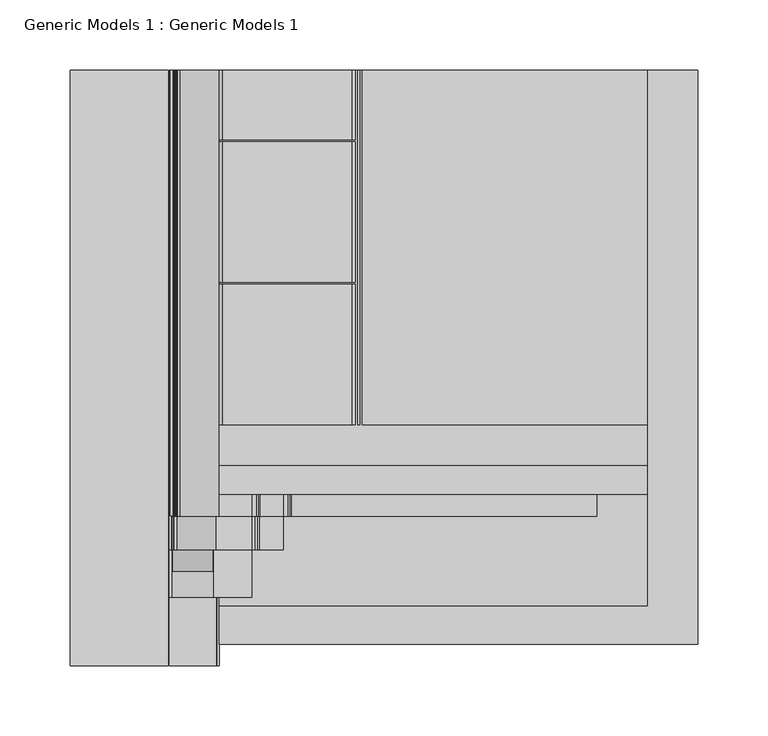
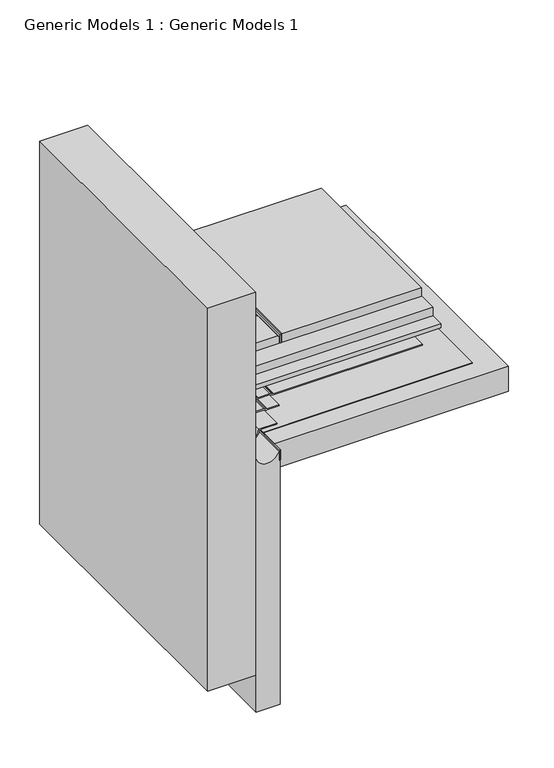
"""IFC4 building model written with IfcOpenShell, lengths in millimetres: proxy geometry, Generic Models 1 : Generic Models 1."""

import ifcopenshell
import ifcopenshell.guid

model = None  # the IFC model being written
_history = None  # IfcOwnerHistory: only IFC2X3 demands one
_inside = {}  # id of a spatial element -> (the spatial element, [elements in it])
_under = {}  # id of a project, library or spatial element -> (it, [spatial elements below it])
_declared = {}  # id of a project -> (the project, [libraries it declares])
_typed = {}  # id of a type object -> (the type object, [elements of that type])
_made_of = {}  # id of a material, layer set ... -> (it, [elements and type objects made of it])


def new_model(schema):
    """Start an empty IFC model of exactly this schema.

    Asked for "IFC4X3", IfcOpenShell would pick the latest addendum, in which some entities
    have other attributes; the version numbers below select the first issue.
    IFC2X3 requires an IfcOwnerHistory on every rooted entity: one is made here for all.
    """
    global model, _history
    if schema == "IFC4X3":
        model = ifcopenshell.file(schema_version=(4, 3, 0, 0))
    else:
        model = ifcopenshell.file(schema=schema)
    _inside.clear()
    _under.clear()
    _declared.clear()
    _typed.clear()
    _made_of.clear()
    _history = None
    if model.schema == "IFC2X3":
        org = make("IfcOrganization", Name="unknown")
        user = make(
            "IfcPersonAndOrganization",
            ThePerson=make("IfcPerson", FamilyName="unknown"),
            TheOrganization=org,
        )
        app = make(
            "IfcApplication",
            ApplicationDeveloper=org,
            Version="unknown",
            ApplicationFullName="unknown",
            ApplicationIdentifier="unknown",
        )
        _history = make(
            "IfcOwnerHistory",
            OwningUser=user,
            OwningApplication=app,
            ChangeAction="ADDED",
            CreationDate=0,
        )
    return model


def make(cls, **values):
    """One entity of the class cls with the attributes given. An attribute that is None is left unset."""
    return model.create_entity(
        cls, **{name: value for name, value in values.items() if value is not None}
    )


def rooted(cls, **values):
    """An entity with a GlobalId (a new one), such as an element, a storey or a relation."""
    return make(cls, GlobalId=ifcopenshell.guid.new(), OwnerHistory=_history, **values)


def si_unit(unit_type, name, prefix=None):
    """IfcSIUnit, for example si_unit("LENGTHUNIT", "METRE", prefix="MILLI")."""
    return make("IfcSIUnit", UnitType=unit_type, Prefix=prefix, Name=name)


def assignment(units):
    """IfcUnitAssignment: the units of a project."""
    return None if units is None else make("IfcUnitAssignment", Units=units)


def point(xyz):
    """IfcCartesianPoint."""
    return None if xyz is None else make("IfcCartesianPoint", Coordinates=xyz)


def direction(xyz):
    """IfcDirection."""
    return None if xyz is None else make("IfcDirection", DirectionRatios=xyz)


def frame(location, z_axis=None, x_axis=None):
    """IfcAxis2Placement3D, a coordinate frame: its origin and axes. An axis left out is left unset."""
    return make(
        "IfcAxis2Placement3D",
        Location=point(location),
        Axis=direction(z_axis),
        RefDirection=direction(x_axis),
    )


def frame_2d(location, x_axis=None):
    """IfcAxis2Placement2D, a coordinate frame in the plane: its origin and x axis."""
    return make(
        "IfcAxis2Placement2D", Location=point(location), RefDirection=direction(x_axis)
    )


def origin():
    """The frame at (0, 0, 0) with its axes left unset."""
    return frame((0.0, 0.0, 0.0))


def place(relative_to, where):
    """IfcLocalPlacement: puts the frame where relative to a parent placement (None: the world)."""
    return make(
        "IfcLocalPlacement", PlacementRelTo=relative_to, RelativePlacement=where
    )


def context(
    kind, dimensions, precision=None, world=None, true_north=None, identifier=None
):
    """IfcGeometricRepresentationContext, for example the 3D "Model" context."""
    return make(
        "IfcGeometricRepresentationContext",
        ContextIdentifier=identifier,
        ContextType=kind,
        CoordinateSpaceDimension=dimensions,
        Precision=precision,
        WorldCoordinateSystem=world,
        TrueNorth=true_north,
    )


def project(units=None, contexts=None):
    """IfcProject with its units and contexts."""
    return rooted(
        "IfcProject",
        Name="project",
        RepresentationContexts=contexts,
        UnitsInContext=assignment(units),
    )


def spatial(cls, under=None, at=None, **own):
    """A site, building, storey or space (cls), placed at a placement, below another one or the project."""
    s = rooted(cls, ObjectPlacement=at, **own)
    if under is not None:
        _under.setdefault(under.id(), (under, []))[1].append(s)
    return s


def polyline(points):
    """IfcPolyline through the points."""
    return make("IfcPolyline", Points=[point(p) for p in points])


def circle_curve(where, radius):
    """IfcCircle in the frame where."""
    return make("IfcCircle", Position=where, Radius=radius)


def trimmed(basis, trim1, trim2, sense, master):
    """IfcTrimmedCurve: the piece of a basis curve between two trims."""
    return make(
        "IfcTrimmedCurve",
        BasisCurve=basis,
        Trim1=trim1,
        Trim2=trim2,
        SenseAgreement=sense,
        MasterRepresentation=master,
    )


def segment(curve, same_sense, transition):
    """IfcCompositeCurveSegment."""
    return make(
        "IfcCompositeCurveSegment",
        Transition=transition,
        SameSense=same_sense,
        ParentCurve=curve,
    )


def composite_curve(segments, self_intersect=None):
    """IfcCompositeCurve: segments joined end to end."""
    return make("IfcCompositeCurve", Segments=segments, SelfIntersect=self_intersect)


def outline(outer, holes=None, kind="AREA"):
    """IfcArbitraryClosedProfileDef: a profile drawn as a closed curve; with holes, ...WithVoids."""
    if holes is None:
        return make("IfcArbitraryClosedProfileDef", ProfileType=kind, OuterCurve=outer)
    return make(
        "IfcArbitraryProfileDefWithVoids",
        ProfileType=kind,
        OuterCurve=outer,
        InnerCurves=holes,
    )


def extrude(swept, where, along, depth):
    """IfcExtrudedAreaSolid: the profile swept, set in the frame where, extruded along a direction by depth."""
    return make(
        "IfcExtrudedAreaSolid",
        SweptArea=swept,
        Position=where,
        ExtrudedDirection=direction(along),
        Depth=depth,
    )


def shape(context_of_items, identifier, shape_type, items):
    """IfcShapeRepresentation: the items that make up one representation, for example the "Body"."""
    return make(
        "IfcShapeRepresentation",
        ContextOfItems=context_of_items,
        RepresentationIdentifier=identifier,
        RepresentationType=shape_type,
        Items=items,
    )


def source(mapping_origin, context_of_items, identifier, shape_type, items):
    """IfcRepresentationMap: a shape defined once, which mapped items show again and again."""
    return make(
        "IfcRepresentationMap",
        MappingOrigin=mapping_origin,
        MappedRepresentation=shape(context_of_items, identifier, shape_type, items),
    )


def transform(
    local_origin,
    x_axis=None,
    y_axis=None,
    z_axis=None,
    scale=None,
    scale2=None,
    scale3=None,
    uniform=True,
):
    """IfcCartesianTransformationOperator3D, or its non-uniform kind. x_axis, y_axis, z_axis: its Axis1, 2, 3."""
    if uniform:
        return make(
            "IfcCartesianTransformationOperator3D",
            Axis1=direction(x_axis),
            Axis2=direction(y_axis),
            LocalOrigin=point(local_origin),
            Scale=scale,
            Axis3=direction(z_axis),
        )
    return make(
        "IfcCartesianTransformationOperator3DnonUniform",
        Axis1=direction(x_axis),
        Axis2=direction(y_axis),
        LocalOrigin=point(local_origin),
        Scale=scale,
        Axis3=direction(z_axis),
        Scale2=scale2,
        Scale3=scale3,
    )


def mapped(mapping_source, mapping_target):
    """IfcMappedItem: shows the shape of a source again, moved by a transform."""
    return make(
        "IfcMappedItem", MappingSource=mapping_source, MappingTarget=mapping_target
    )


def made_of(thing, what):
    """Note that an element or type object is made of a material, layer set ...; save() writes the relation."""
    if what is not None:
        _made_of.setdefault(what.id(), (what, []))[1].append(thing)
    return thing


def element(
    cls,
    number,
    at=None,
    inside=None,
    cuts=None,
    type_object=None,
    material=None,
    context=None,
    identifier="Body",
    shape_type=None,
    held_by="IfcProductDefinitionShape",
    body=None,
    shapes=None,
    **own,
):
    """One element of the class cls, such as IfcWall. Its Tag is "e" and its number.

    at: its placement. inside: the storey or other place that contains it. cuts: it is an
    opening in that element (IfcRelVoidsElement). A single representation is given by context,
    identifier, shape_type and body (its items); several are given by shapes. held_by: the class
    of the entity that holds the representations. save() writes the other relations.
    """
    e = rooted(cls, Tag="e%d" % number, ObjectPlacement=at, **own)
    if body is not None:
        shapes = [shape(context, identifier, shape_type, body)]
    if shapes is not None:
        e.Representation = make(held_by, Representations=shapes)
    if inside is not None:
        _inside.setdefault(inside.id(), (inside, []))[1].append(e)
    if cuts is not None:
        rooted(
            "IfcRelVoidsElement", RelatingBuildingElement=cuts, RelatedOpeningElement=e
        )
    if type_object is not None:
        _typed.setdefault(type_object.id(), (type_object, []))[1].append(e)
    return made_of(e, material)


def aggregate(whole, parts):
    """IfcRelAggregates: a whole, such as a stair, and the parts it consists of."""
    return rooted("IfcRelAggregates", RelatingObject=whole, RelatedObjects=parts)


def save(model, path):
    """Write the relations noted so far, then the file.

    IfcRelAggregates (storeys below a building ...), IfcRelContainedInSpatialStructure (elements
    in a storey), IfcRelDefinesByType, IfcRelAssociatesMaterial and IfcRelDeclares: one each for
    every whole, place, type object, material and project.
    """
    for whole, parts in _under.values():
        aggregate(whole, parts)
    for where, things in _inside.values():
        rooted(
            "IfcRelContainedInSpatialStructure",
            RelatedElements=things,
            RelatingStructure=where,
        )
    for kind, things in _typed.values():
        rooted("IfcRelDefinesByType", RelatedObjects=things, RelatingType=kind)
    for what, things in _made_of.values():
        rooted("IfcRelAssociatesMaterial", RelatedObjects=things, RelatingMaterial=what)
    for by, libraries in _declared.values():
        rooted("IfcRelDeclares", RelatingContext=by, RelatedDefinitions=libraries)
    model.write(path)


def generic_models_1_generic_models_1_d151fb99(model_context):
    return source(origin(), model_context, "Body", "SweptSolid", [
        extrude(outline(polyline([(392.5198839, 80.9625), (392.5198839, 177.8), (402.8386339, 177.8), (405.2198839, 175.41875), (405.2198839, 83.34375), (402.8386339, 80.9625), (392.5198839, 80.9625)])), frame((0.0, 344.2461939, 0.0), z_axis=(0.0, 1.0, 0.0), x_axis=(0.0, 0.0, 1.0)), (0.0, 0.0, 1.0), 49.6007451),
        extrude(outline(polyline([(392.5198839, 80.9625), (392.5198839, 177.8), (402.8386339, 177.8), (405.2198839, 175.41875), (405.2198839, 83.34375), (402.8386339, 80.9625), (392.5198839, 80.9625)])), frame((0.0, 242.6461939, 0.0), z_axis=(0.0, 1.0, 0.0), x_axis=(0.0, 0.0, 1.0)), (0.0, 0.0, 1.0), 100.2538061),
        extrude(outline(polyline([(179.3517572, 393.8469389), (180.9392572, 393.8469389), (180.9392572, 141.0461939), (179.3517572, 141.0461939), (179.3517572, 393.8469389)])), frame((0.0, 0.0, 392.5198839), z_axis=(0.0, 0.0, 1.0), x_axis=(1.0, 0.0, 0.0)), (0.0, 0.0, 1.0), 12.7),
        extrude(outline(polyline([(392.5198839, 80.9625), (392.5198839, 177.8), (402.8386339, 177.8), (405.2198839, 175.41875), (405.2198839, 83.34375), (402.8386339, 80.9625), (392.5198839, 80.9625)])), frame((0.0, 141.0461939, 0.0), z_axis=(0.0, 1.0, 0.0), x_axis=(0.0, 0.0, 1.0)), (0.0, 0.0, 1.0), 100.2538061),
        extrude(outline(polyline([(182.5625, 393.8469389), (385.7625, 393.8469389), (385.7625, 141.0461939), (182.5625, 141.0461939), (182.5625, 393.8469389)])), frame((0.0, 0.0, 392.5198839), z_axis=(0.0, 0.0, 1.0), x_axis=(1.0, 0.0, 0.0)), (0.0, 0.0, 1.0), 12.7),
        extrude(outline(polyline([(80.9625, 393.8469389), (385.7625, 393.8469389), (385.7625, 112.3547134), (80.9625, 112.3547134), (80.9625, 393.8469389)])), frame((0.0, 0.0, 379.8198839), z_axis=(0.0, 0.0, 1.0), x_axis=(1.0, 0.0, 0.0)), (0.0, 0.0, 1.0), 12.7),
        extrude(outline(polyline([(80.9625, 393.8469389), (385.7625, 393.8469389), (385.7625, 91.8342455), (80.9625, 91.8342455), (80.9625, 393.8469389)])), frame((0.0, 0.0, 373.4698839), z_axis=(0.0, 0.0, 1.0), x_axis=(1.0, 0.0, 0.0)), (0.0, 0.0, 1.0), 6.35),
        extrude(outline(polyline([(80.9625, 393.8469389), (421.8535083, 393.8469389), (421.8535083, -15.1880793), (80.9625, -15.1880793), (80.9625, 393.8469389)])), frame((0.0, 0.0, 328.1998414), z_axis=(0.0, 0.0, 1.0), x_axis=(1.0, 0.0, 0.0)), (0.0, 0.0, 1.0), 38.1),
        extrude(outline(composite_curve([segment(polyline([(371.8823839, 79.2100655), (371.8823839, 104.0711194)]), True, "CONTINUOUS"), segment(trimmed(circle_curve(frame_2d((366.3261339, 104.0711194)), 5.55625), [point((371.8823839, 104.0711194))], [point((371.3618066, 106.4192922))], True, "CARTESIAN"), True, "CONTINUOUS"), segment(polyline([(371.3618066, 106.4192922), (370.7148005, 107.8068011)]), True, "CONTINUOUS"), segment(trimmed(circle_curve(frame_2d((375.0310914, 109.8195206)), 4.7625), [point((370.7148005, 107.8068011))], [point((370.2685914, 109.8195206))], False, "CARTESIAN"), True, "CONTINUOUS"), segment(polyline([(370.2685914, 109.8195206), (370.2685914, 126.4920393)]), True, "CONTINUOUS"), segment(trimmed(circle_curve(frame_2d((364.7123414, 126.4920393)), 5.55625), [point((370.2685914, 126.4920393))], [point((369.748014, 128.840212))], True, "CARTESIAN"), True, "CONTINUOUS"), segment(polyline([(369.748014, 128.840212), (369.101008, 130.227721)]), True, "CONTINUOUS"), segment(trimmed(circle_curve(frame_2d((373.4172988, 132.2404405)), 4.7625), [point((369.101008, 130.227721))], [point((368.6547988, 132.2404405))], False, "CARTESIAN"), True, "CONTINUOUS"), segment(polyline([(368.6547988, 132.2404405), (368.6547988, 349.9692558), (370.2422988, 349.9692558), (370.2422988, 132.2404405)]), True, "CONTINUOUS"), segment(trimmed(circle_curve(frame_2d((373.4172988, 132.2404405)), 3.175), [point((370.2422988, 132.2404405))], [point((370.5397716, 130.8986275))], True, "CARTESIAN"), True, "CONTINUOUS"), segment(polyline([(370.5397716, 130.8986275), (371.1867776, 129.5111185)]), True, "CONTINUOUS"), segment(trimmed(circle_curve(frame_2d((364.7123414, 126.4920393)), 7.14375), [point((371.1867776, 129.5111185))], [point((371.8560914, 126.4920393))], False, "CARTESIAN"), True, "CONTINUOUS"), segment(polyline([(371.8560914, 126.4920393), (371.8560914, 109.8195206)]), True, "CONTINUOUS"), segment(trimmed(circle_curve(frame_2d((375.0310914, 109.8195206)), 3.175), [point((371.8560914, 109.8195206))], [point((372.1535641, 108.4777076))], True, "CARTESIAN"), True, "CONTINUOUS"), segment(polyline([(372.1535641, 108.4777076), (372.8005702, 107.0901987)]), True, "CONTINUOUS"), segment(trimmed(circle_curve(frame_2d((366.3261339, 104.0711194)), 7.14375), [point((372.8005702, 107.0901987))], [point((373.4698839, 104.0711194))], False, "CARTESIAN"), True, "CONTINUOUS"), segment(polyline([(373.4698839, 104.0711194), (373.4698839, 80.5416976)]), True, "CONTINUOUS"), segment(trimmed(circle_curve(frame_2d((369.4879876, 61.9125)), 19.05), [point((373.4698839, 80.5416976))], [point((386.3876302, 53.1201976))], False, "CARTESIAN"), True, "CONTINUOUS"), segment(trimmed(circle_curve(frame_2d((387.7959337, 52.3875057)), 1.5875), [point((386.3876302, 53.1201976))], [point((387.7959337, 50.8000057))], True, "CARTESIAN"), True, "CONTINUOUS"), segment(polyline([(387.7959337, 50.8000057), (396.7434379, 50.8000057)]), True, "CONTINUOUS"), segment(trimmed(circle_curve(frame_2d((396.7434379, 43.6562557)), 7.14375), [point((396.7434379, 50.8000057))], [point((399.7625171, 50.130692))], False, "CARTESIAN"), True, "CONTINUOUS"), segment(polyline([(399.7625171, 50.130692), (401.150026, 49.4836859)]), True, "CONTINUOUS"), segment(trimmed(circle_curve(frame_2d((402.491839, 52.3612132)), 3.175), [point((401.150026, 49.4836859))], [point((402.491839, 49.1862132))], True, "CARTESIAN"), True, "CONTINUOUS"), segment(polyline([(402.491839, 49.1862132), (419.1643577, 49.1862132)]), True, "CONTINUOUS"), segment(trimmed(circle_curve(frame_2d((419.1643577, 42.0424632)), 7.14375), [point((419.1643577, 49.1862132))], [point((422.183437, 48.5168994))], False, "CARTESIAN"), True, "CONTINUOUS"), segment(polyline([(422.183437, 48.5168994), (423.5709459, 47.8698934)]), True, "CONTINUOUS"), segment(trimmed(circle_curve(frame_2d((424.9127589, 50.7474206)), 3.175), [point((423.5709459, 47.8698934))], [point((424.9127589, 47.5724206))], True, "CARTESIAN"), True, "CONTINUOUS"), segment(polyline([(424.9127589, 47.5724206), (583.3108186, 47.5724206), (583.3108186, 45.9849206), (424.9127589, 45.9849206)]), True, "CONTINUOUS"), segment(trimmed(circle_curve(frame_2d((424.9127589, 50.7474206)), 4.7625), [point((424.9127589, 45.9849206))], [point((422.9000394, 46.4311298))], False, "CARTESIAN"), True, "CONTINUOUS"), segment(polyline([(422.9000394, 46.4311298), (421.5125305, 47.0781358)]), True, "CONTINUOUS"), segment(trimmed(circle_curve(frame_2d((419.1643577, 42.0424632)), 5.55625), [point((421.5125305, 47.0781358))], [point((419.1643577, 47.5987132))], True, "CARTESIAN"), True, "CONTINUOUS"), segment(polyline([(419.1643577, 47.5987132), (402.491839, 47.5987132)]), True, "CONTINUOUS"), segment(trimmed(circle_curve(frame_2d((402.491839, 52.3612132)), 4.7625), [point((402.491839, 47.5987132))], [point((400.4791195, 48.0449223))], False, "CARTESIAN"), True, "CONTINUOUS"), segment(polyline([(400.4791195, 48.0449223), (399.0916106, 48.6919284)]), True, "CONTINUOUS"), segment(trimmed(circle_curve(frame_2d((396.7434379, 43.6562557)), 5.55625), [point((399.0916106, 48.6919284))], [point((396.7434379, 49.2125057))], True, "CARTESIAN"), True, "CONTINUOUS"), segment(polyline([(396.7434379, 49.2125057), (387.7959337, 49.2125057)]), True, "CONTINUOUS"), segment(trimmed(circle_curve(frame_2d((387.7959337, 52.3875057)), 3.175), [point((387.7959337, 49.2125057))], [point((384.9793267, 53.8528895))], False, "CARTESIAN"), True, "CONTINUOUS"), segment(trimmed(circle_curve(frame_2d((369.4879876, 61.9125)), 17.4625), [point((384.9793267, 53.8528895))], [point((371.8823839, 79.2100655))], True, "CARTESIAN"), True, "CONTINUOUS")], self_intersect=False)), frame((0.0, 76.1832897, 0.0), z_axis=(0.0, 1.0, 0.0), x_axis=(0.0, 0.0, 1.0)), (0.0, 0.0, 1.0), 317.6636492),
        extrude(outline(composite_curve([segment(polyline([(371.0886339, 104.0711194), (371.0886339, 78.5042196)]), True, "CONTINUOUS"), segment(trimmed(circle_curve(frame_2d((369.4879876, 61.9125)), 16.66875), [point((371.0886339, 78.5042196))], [point((382.1240612, 51.0415813))], False, "CARTESIAN"), True, "CONTINUOUS"), segment(trimmed(circle_curve(frame_2d((383.3274967, 50.0062557)), 1.5875), [point((382.1240612, 51.0415813))], [point((383.3274967, 48.4187557))], True, "CARTESIAN"), True, "CONTINUOUS"), segment(polyline([(383.3274967, 48.4187557), (396.5785091, 48.4187557)]), True, "CONTINUOUS"), segment(trimmed(circle_curve(frame_2d((396.5785091, 43.6562557)), 4.7625), [point((396.5785091, 48.4187557))], [point((398.5912286, 47.9725466))], False, "CARTESIAN"), True, "CONTINUOUS"), segment(polyline([(398.5912286, 47.9725466), (400.4571868, 47.1024359)]), True, "CONTINUOUS"), segment(trimmed(circle_curve(frame_2d((401.7989998, 49.9799632)), 3.175), [point((400.4571868, 47.1024359))], [point((401.7989998, 46.8049632))], True, "CARTESIAN"), True, "CONTINUOUS"), segment(polyline([(401.7989998, 46.8049632), (418.999429, 46.8049632), (418.999429, 45.2174632), (401.7989998, 45.2174632)]), True, "CONTINUOUS"), segment(trimmed(circle_curve(frame_2d((401.7989998, 49.9799632)), 4.7625), [point((401.7989998, 45.2174632))], [point((399.7862803, 45.6636723))], False, "CARTESIAN"), True, "CONTINUOUS"), segment(polyline([(399.7862803, 45.6636723), (397.9203221, 46.533783)]), True, "CONTINUOUS"), segment(trimmed(circle_curve(frame_2d((396.5785091, 43.6562557)), 3.175), [point((397.9203221, 46.533783))], [point((396.5785091, 46.8312557))], True, "CARTESIAN"), True, "CONTINUOUS"), segment(polyline([(396.5785091, 46.8312557), (383.3274967, 46.8312557)]), True, "CONTINUOUS"), segment(trimmed(circle_curve(frame_2d((383.3274967, 50.0062557)), 3.175), [point((383.3274967, 46.8312557))], [point((380.9206256, 52.0769069))], False, "CARTESIAN"), True, "CONTINUOUS"), segment(trimmed(circle_curve(frame_2d((369.4879876, 61.9125)), 15.08125), [point((380.9206256, 52.0769069))], [point((369.5011339, 76.9937443))], True, "CARTESIAN"), True, "CONTINUOUS"), segment(polyline([(369.5011339, 76.9937443), (369.5011339, 104.0711194)]), True, "CONTINUOUS"), segment(trimmed(circle_curve(frame_2d((366.3261339, 104.0711194)), 3.175), [point((369.5011339, 104.0711194))], [point((369.2036612, 105.4129324))], True, "CARTESIAN"), True, "CONTINUOUS"), segment(polyline([(369.2036612, 105.4129324), (368.3335505, 107.2788907)]), True, "CONTINUOUS"), segment(trimmed(circle_curve(frame_2d((372.6498414, 109.2916102)), 4.7625), [point((368.3335505, 107.2788907))], [point((367.8873414, 109.2916102))], False, "CARTESIAN"), True, "CONTINUOUS"), segment(polyline([(367.8873414, 109.2916102), (367.8873414, 126.4920393), (369.4748414, 126.4920393), (369.4748414, 109.2916102)]), True, "CONTINUOUS"), segment(trimmed(circle_curve(frame_2d((372.6498414, 109.2916102)), 3.175), [point((369.4748414, 109.2916102))], [point((369.7723141, 107.9497972))], True, "CARTESIAN"), True, "CONTINUOUS"), segment(polyline([(369.7723141, 107.9497972), (370.6424248, 106.0838389)]), True, "CONTINUOUS"), segment(trimmed(circle_curve(frame_2d((366.3261339, 104.0711194)), 4.7625), [point((370.6424248, 106.0838389))], [point((371.0886339, 104.0711194))], False, "CARTESIAN"), True, "CONTINUOUS")], self_intersect=False)), frame((0.0, 52.0273992, 0.0), z_axis=(0.0, 1.0, 0.0), x_axis=(0.0, 0.0, 1.0)), (0.0, 0.0, 1.0), 341.8195397),
        extrude(outline(composite_curve([segment(trimmed(circle_curve(frame_2d((369.4879876, 61.9125)), 14.2875), [point((369.4879876, 47.625))], [point((369.4879876, 76.2))], False, "CARTESIAN"), True, "CONTINUOUS"), segment(trimmed(circle_curve(frame_2d((369.4879876, 61.9125)), 14.2875), [point((369.4879876, 76.2))], [point((369.4879876, 47.625))], False, "CARTESIAN"), True, "CONTINUOUS")], self_intersect=False)), frame((0.0, 36.7666054, 0.0), z_axis=(0.0, 1.0, 0.0), x_axis=(0.0, 0.0, 1.0)), (0.0, 0.0, 1.0), 357.0803336),
        extrude(outline(polyline([(79.375, 393.8469389), (80.9625, 393.8469389), (80.9625, -30.4208852), (79.375, -30.4208852), (79.375, 393.8469389)])), frame((0.0, 0.0, 351.2118848), z_axis=(0.0, 0.0, 1.0), x_axis=(1.0, 0.0, 0.0)), (0.0, 0.0, 1.0), 15.0879565),
        extrude(outline(polyline([(80.9625, 393.8469389), (385.7625, 393.8469389), (385.7625, 12.1737536), (80.9625, 12.1737536), (80.9625, 393.8469389)])), frame((0.0, 0.0, 367.0935914), z_axis=(0.0, 0.0, 1.0), x_axis=(1.0, 0.0, 0.0)), (0.0, 0.0, 1.0), 0.79375),
        extrude(outline(composite_curve([segment(polyline([(364.2830208, 45.24375), (-25.7392111, 45.24375), (-25.7392111, 80.16875), (350.4181348, 80.16875), (350.4181348, 78.58125), (364.2830208, 78.58125)]), True, "CONTINUOUS"), segment(trimmed(circle_curve(frame_2d((369.4879876, 61.9125)), 17.4625), [point((364.2830208, 78.58125))], [point((364.2830208, 45.24375))], True, "CARTESIAN"), True, "CONTINUOUS")], self_intersect=False)), frame((0.0, -30.4208852, 0.0), z_axis=(0.0, 1.0, 0.0), x_axis=(0.0, 0.0, 1.0)), (0.0, 0.0, 1.0), 424.2678241),
        extrude(outline(composite_curve([segment(polyline([(367.8873414, 103.98125), (369.4748414, 103.98125), (369.4748414, 76.9937443)]), True, "CONTINUOUS"), segment(trimmed(circle_curve(frame_2d((369.4879876, 61.9125)), 15.08125), [point((369.4748414, 76.9937443))], [point((369.4879876, 46.83125))], True, "CARTESIAN"), True, "CONTINUOUS"), segment(polyline([(369.4879876, 46.83125), (395.6144945, 46.83125), (395.6144945, 45.24375), (369.4879876, 45.24375)]), True, "CONTINUOUS"), segment(trimmed(circle_curve(frame_2d((369.4879876, 61.9125)), 16.66875), [point((369.4879876, 45.24375))], [point((367.8873414, 78.5042196))], False, "CARTESIAN"), True, "CONTINUOUS"), segment(polyline([(367.8873414, 78.5042196), (367.8873414, 103.98125)]), True, "CONTINUOUS")], self_intersect=False)), frame((0.0, 18.3920053, 0.0), z_axis=(0.0, 1.0, 0.0), x_axis=(0.0, 0.0, 1.0)), (0.0, 0.0, 1.0), 375.4549336),
        extrude(outline(polyline([(44.45, -30.4208852), (-25.4, -30.4208852), (-25.4, 393.8469389), (44.45, 393.8469389), (44.45, -30.4208852)])), frame((0.0, 0.0, 31.75), z_axis=(0.0, 0.0, 1.0), x_axis=(1.0, 0.0, 0.0)), (0.0, 0.0, 1.0), 589.9629392),
    ])


if __name__ == "__main__":
    model = new_model("IFC4")
    model_context = context("Model", 3, world=origin())
    ifc_project = project(units=[si_unit("LENGTHUNIT", "METRE", prefix="MILLI")], contexts=[model_context])
    site = spatial("IfcSite", under=ifc_project)
    building = spatial("IfcBuilding", under=site)
    placement = place(None, origin())
    generic_models_1_generic_models_1_shape = generic_models_1_generic_models_1_d151fb99(model_context)
    element("IfcBuildingElementProxy", 1, Name="Generic Models 1 : Generic Models 1", ObjectType="Generic Models 1 : Generic Models 1", at=placement, inside=building, context=model_context, shape_type="MappedRepresentation", body=[
        mapped(generic_models_1_generic_models_1_shape, transform((0.0, 0.0, 0.0), x_axis=(1.0, 0.0, 0.0), y_axis=(0.0, 1.0, 0.0), z_axis=(0.0, 0.0, 1.0))),
    ])
    save(model, "model.ifc")
